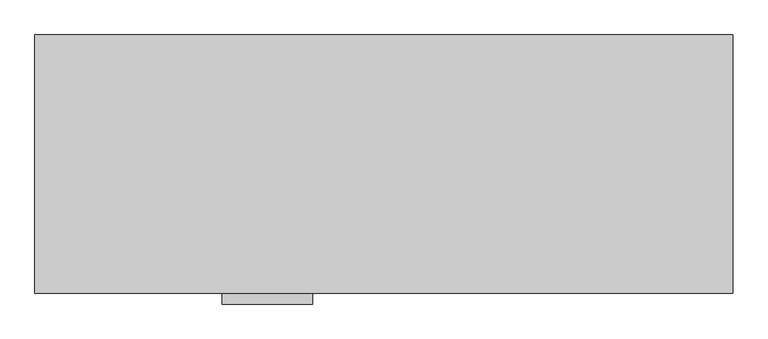
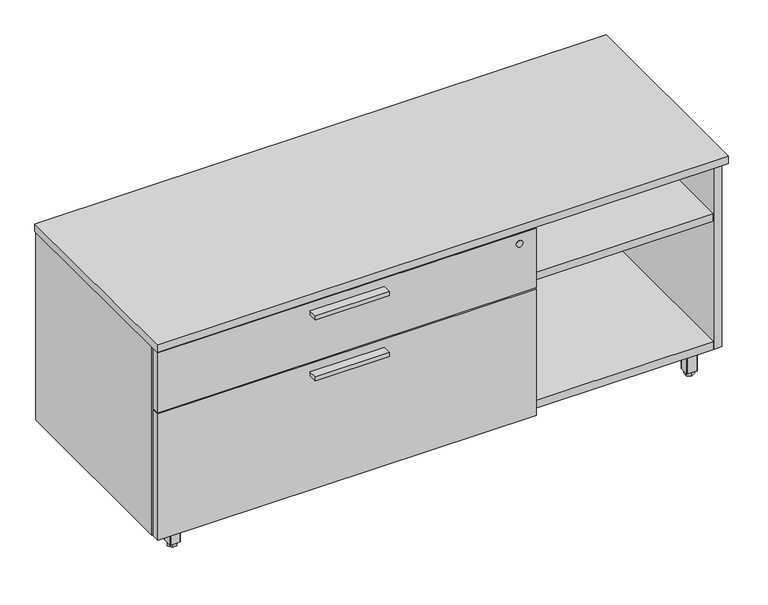
"""IFC4 building model written with IfcOpenShell, lengths in millimetres: furniture geometry."""

from ifc_helpers import new_model, si_unit, point, frame, frame_2d, origin, origin_with_axes, place, context, project, spatial, polyline, circle_curve, trimmed, segment, composite_curve, outline, extrude, source, transform, mapped, element, save


def furniture_a101fd6d(model_context):
    return source(origin(), model_context, "Body", "SweptSolid", [
        extrude(outline(polyline([(546.0365, -536.7158592), (368.2365, -536.7158592), (368.2365, -514.4908592), (546.0365, -514.4908592), (546.0365, -536.7158592)])), frame((0.0, 0.0, 351.0330729), z_axis=(0.0, 0.0, 1.0), x_axis=(1.0, 0.0, 0.0)), (0.0, 0.0, 1.0), 9.525),
        extrude(outline(polyline([(546.0365, -536.7158592), (368.2365, -536.7158592), (368.2365, -514.4908592), (546.0365, -514.4908592), (546.0365, -536.7158592)])), frame((0.0, 0.0, 506.1508939), z_axis=(0.0, 0.0, 1.0), x_axis=(1.0, 0.0, 0.0)), (0.0, 0.0, 1.0), 9.525),
        extrude(outline(polyline([(70.8025, -456.713183), (76.5175, -466.6118534), (70.8025, -476.5105237), (59.3725, -476.5105237), (53.6575, -466.6118534), (59.3725, -456.713183), (70.8025, -456.713183)])), origin_with_axes(), (0.0, 0.0, 1.0), 9.144),
        extrude(outline(composite_curve([segment(trimmed(circle_curve(frame_2d((65.0875, -466.6118534)), 4.445), [point((69.5325, -466.6118534))], [point((60.6425, -466.6118534))], False, "CARTESIAN"), True, "CONTINUOUS"), segment(trimmed(circle_curve(frame_2d((65.0875, -466.6118534)), 4.445), [point((60.6425, -466.6118534))], [point((69.5325, -466.6118534))], False, "CARTESIAN"), True, "CONTINUOUS")], self_intersect=False)), frame((0.0, 0.0, 7.112), z_axis=(0.0, 0.0, 1.0), x_axis=(1.0, 0.0, 0.0)), (0.0, 0.0, 1.0), 2.032),
        extrude(outline(composite_curve([segment(trimmed(circle_curve(frame_2d((11.1125, -482.4868534)), 3.175), [point((11.1125, -485.6618534))], [point((7.9375, -482.4868534))], False, "CARTESIAN"), True, "CONTINUOUS"), segment(polyline([(7.9375, -482.4868534), (7.9375, -412.6368534)]), True, "CONTINUOUS"), segment(trimmed(circle_curve(frame_2d((11.1125, -412.6368534)), 3.175), [point((7.9375, -412.6368534))], [point((11.1125, -409.4618534))], False, "CARTESIAN"), True, "CONTINUOUS"), segment(polyline([(11.1125, -409.4618534), (80.9625, -409.4618534)]), True, "CONTINUOUS"), segment(trimmed(circle_curve(frame_2d((80.9625, -412.6368534)), 3.175), [point((80.9625, -409.4618534))], [point((84.1375, -412.6368534))], False, "CARTESIAN"), True, "CONTINUOUS"), segment(polyline([(84.1375, -412.6368534), (84.1375, -482.4868534)]), True, "CONTINUOUS"), segment(trimmed(circle_curve(frame_2d((80.9625, -482.4868534)), 3.175), [point((84.1375, -482.4868534))], [point((80.9625, -485.6618534))], False, "CARTESIAN"), True, "CONTINUOUS"), segment(polyline([(80.9625, -485.6618534), (11.1125, -485.6618534)]), True, "CONTINUOUS")], self_intersect=False)), frame((0.0, 0.0, 58.3692), z_axis=(0.0, 0.0, 1.0), x_axis=(1.0, 0.0, 0.0)), (0.0, 0.0, 1.0), 1.89738),
        extrude(outline(composite_curve([segment(polyline([(76.5175, -479.3118534), (53.6575, -479.3118534)]), True, "CONTINUOUS"), segment(trimmed(circle_curve(frame_2d((53.6575, -478.0418534)), 1.27), [point((53.6575, -479.3118534))], [point((52.3875, -478.0418534))], False, "CARTESIAN"), True, "CONTINUOUS"), segment(polyline([(52.3875, -478.0418534), (52.3875, -455.1818534)]), True, "CONTINUOUS"), segment(trimmed(circle_curve(frame_2d((53.6575, -455.1818534)), 1.27), [point((52.3875, -455.1818534))], [point((53.6575, -453.9118534))], False, "CARTESIAN"), True, "CONTINUOUS"), segment(polyline([(53.6575, -453.9118534), (76.5175, -453.9118534)]), True, "CONTINUOUS"), segment(trimmed(circle_curve(frame_2d((76.5175, -455.1818534)), 1.27), [point((76.5175, -453.9118534))], [point((77.7875, -455.1818534))], False, "CARTESIAN"), True, "CONTINUOUS"), segment(polyline([(77.7875, -455.1818534), (77.7875, -478.0418534)]), True, "CONTINUOUS"), segment(trimmed(circle_curve(frame_2d((76.5175, -478.0418534)), 1.27), [point((77.7875, -478.0418534))], [point((76.5175, -479.3118534))], False, "CARTESIAN"), True, "CONTINUOUS")], self_intersect=False)), frame((0.0, 0.0, 9.144), z_axis=(0.0, 0.0, 1.0), x_axis=(1.0, 0.0, 0.0)), (0.0, 0.0, 1.0), 49.2252),
        extrude(outline(polyline([(55.1888296, -42.0508713), (65.0875, -36.3358713), (74.9861704, -42.0508713), (74.9861704, -53.4808713), (65.0875, -59.1958713), (55.1888296, -53.4808713), (55.1888296, -42.0508713)])), origin_with_axes(), (0.0, 0.0, 1.0), 9.144),
        extrude(outline(composite_curve([segment(trimmed(circle_curve(frame_2d((65.0875, -47.7658713)), 4.445), [point((65.0875, -43.3208713))], [point((65.0875, -52.2108713))], False, "CARTESIAN"), True, "CONTINUOUS"), segment(trimmed(circle_curve(frame_2d((65.0875, -47.7658713)), 4.445), [point((65.0875, -52.2108713))], [point((65.0875, -43.3208713))], False, "CARTESIAN"), True, "CONTINUOUS")], self_intersect=False)), frame((0.0, 0.0, 7.112), z_axis=(0.0, 0.0, 1.0), x_axis=(1.0, 0.0, 0.0)), (0.0, 0.0, 1.0), 2.032),
        extrude(outline(composite_curve([segment(trimmed(circle_curve(frame_2d((80.9625, -101.7408713)), 3.175), [point((84.1375, -101.7408713))], [point((80.9625, -104.9158713))], False, "CARTESIAN"), True, "CONTINUOUS"), segment(polyline([(80.9625, -104.9158713), (11.1125, -104.9158713)]), True, "CONTINUOUS"), segment(trimmed(circle_curve(frame_2d((11.1125, -101.7408713)), 3.175), [point((11.1125, -104.9158713))], [point((7.9375, -101.7408713))], False, "CARTESIAN"), True, "CONTINUOUS"), segment(polyline([(7.9375, -101.7408713), (7.9375, -31.8908713)]), True, "CONTINUOUS"), segment(trimmed(circle_curve(frame_2d((11.1125, -31.8908713)), 3.175), [point((7.9375, -31.8908713))], [point((11.1125, -28.7158713))], False, "CARTESIAN"), True, "CONTINUOUS"), segment(polyline([(11.1125, -28.7158713), (80.9625, -28.7158713)]), True, "CONTINUOUS"), segment(trimmed(circle_curve(frame_2d((80.9625, -31.8908713)), 3.175), [point((80.9625, -28.7158713))], [point((84.1375, -31.8908713))], False, "CARTESIAN"), True, "CONTINUOUS"), segment(polyline([(84.1375, -31.8908713), (84.1375, -101.7408713)]), True, "CONTINUOUS")], self_intersect=False)), frame((0.0, 0.0, 58.3692), z_axis=(0.0, 0.0, 1.0), x_axis=(1.0, 0.0, 0.0)), (0.0, 0.0, 1.0), 1.89738),
        extrude(outline(composite_curve([segment(polyline([(77.7875, -36.3358713), (77.7875, -59.1958713)]), True, "CONTINUOUS"), segment(trimmed(circle_curve(frame_2d((76.5175, -59.1958713)), 1.27), [point((77.7875, -59.1958713))], [point((76.5175, -60.4658713))], False, "CARTESIAN"), True, "CONTINUOUS"), segment(polyline([(76.5175, -60.4658713), (53.6575, -60.4658713)]), True, "CONTINUOUS"), segment(trimmed(circle_curve(frame_2d((53.6575, -59.1958713)), 1.27), [point((53.6575, -60.4658713))], [point((52.3875, -59.1958713))], False, "CARTESIAN"), True, "CONTINUOUS"), segment(polyline([(52.3875, -59.1958713), (52.3875, -36.3358713)]), True, "CONTINUOUS"), segment(trimmed(circle_curve(frame_2d((53.6575, -36.3358713)), 1.27), [point((52.3875, -36.3358713))], [point((53.6575, -35.0658713))], False, "CARTESIAN"), True, "CONTINUOUS"), segment(polyline([(53.6575, -35.0658713), (76.5175, -35.0658713)]), True, "CONTINUOUS"), segment(trimmed(circle_curve(frame_2d((76.5175, -36.3358713)), 1.27), [point((76.5175, -35.0658713))], [point((77.7875, -36.3358713))], False, "CARTESIAN"), True, "CONTINUOUS")], self_intersect=False)), frame((0.0, 0.0, 9.144), z_axis=(0.0, 0.0, 1.0), x_axis=(1.0, 0.0, 0.0)), (0.0, 0.0, 1.0), 49.2252),
        extrude(outline(polyline([(1300.7975, -57.6645417), (1295.0825, -47.7658713), (1300.7975, -37.8672009), (1312.2275, -37.8672009), (1317.9425, -47.7658713), (1312.2275, -57.6645417), (1300.7975, -57.6645417)])), origin_with_axes(), (0.0, 0.0, 1.0), 9.144),
        extrude(outline(composite_curve([segment(trimmed(circle_curve(frame_2d((1306.5125, -47.7658713)), 4.445), [point((1302.0675, -47.7658713))], [point((1310.9575, -47.7658713))], False, "CARTESIAN"), True, "CONTINUOUS"), segment(trimmed(circle_curve(frame_2d((1306.5125, -47.7658713)), 4.445), [point((1310.9575, -47.7658713))], [point((1302.0675, -47.7658713))], False, "CARTESIAN"), True, "CONTINUOUS")], self_intersect=False)), frame((0.0, 0.0, 7.112), z_axis=(0.0, 0.0, 1.0), x_axis=(1.0, 0.0, 0.0)), (0.0, 0.0, 1.0), 2.032),
        extrude(outline(composite_curve([segment(trimmed(circle_curve(frame_2d((1360.4875, -31.8908713)), 3.175), [point((1360.4875, -28.7158713))], [point((1363.6625, -31.8908713))], False, "CARTESIAN"), True, "CONTINUOUS"), segment(polyline([(1363.6625, -31.8908713), (1363.6625, -101.7408713)]), True, "CONTINUOUS"), segment(trimmed(circle_curve(frame_2d((1360.4875, -101.7408713)), 3.175), [point((1363.6625, -101.7408713))], [point((1360.4875, -104.9158713))], False, "CARTESIAN"), True, "CONTINUOUS"), segment(polyline([(1360.4875, -104.9158713), (1290.6375, -104.9158713)]), True, "CONTINUOUS"), segment(trimmed(circle_curve(frame_2d((1290.6375, -101.7408713)), 3.175), [point((1290.6375, -104.9158713))], [point((1287.4625, -101.7408713))], False, "CARTESIAN"), True, "CONTINUOUS"), segment(polyline([(1287.4625, -101.7408713), (1287.4625, -31.8908713)]), True, "CONTINUOUS"), segment(trimmed(circle_curve(frame_2d((1290.6375, -31.8908713)), 3.175), [point((1287.4625, -31.8908713))], [point((1290.6375, -28.7158713))], False, "CARTESIAN"), True, "CONTINUOUS"), segment(polyline([(1290.6375, -28.7158713), (1360.4875, -28.7158713)]), True, "CONTINUOUS")], self_intersect=False)), frame((0.0, 0.0, 58.3692), z_axis=(0.0, 0.0, 1.0), x_axis=(1.0, 0.0, 0.0)), (0.0, 0.0, 1.0), 1.89738),
        extrude(outline(composite_curve([segment(polyline([(1295.0825, -35.0658713), (1317.9425, -35.0658713)]), True, "CONTINUOUS"), segment(trimmed(circle_curve(frame_2d((1317.9425, -36.3358713)), 1.27), [point((1317.9425, -35.0658713))], [point((1319.2125, -36.3358713))], False, "CARTESIAN"), True, "CONTINUOUS"), segment(polyline([(1319.2125, -36.3358713), (1319.2125, -59.1958713)]), True, "CONTINUOUS"), segment(trimmed(circle_curve(frame_2d((1317.9425, -59.1958713)), 1.27), [point((1319.2125, -59.1958713))], [point((1317.9425, -60.4658713))], False, "CARTESIAN"), True, "CONTINUOUS"), segment(polyline([(1317.9425, -60.4658713), (1295.0825, -60.4658713)]), True, "CONTINUOUS"), segment(trimmed(circle_curve(frame_2d((1295.0825, -59.1958713)), 1.27), [point((1295.0825, -60.4658713))], [point((1293.8125, -59.1958713))], False, "CARTESIAN"), True, "CONTINUOUS"), segment(polyline([(1293.8125, -59.1958713), (1293.8125, -36.3358713)]), True, "CONTINUOUS"), segment(trimmed(circle_curve(frame_2d((1295.0825, -36.3358713)), 1.27), [point((1293.8125, -36.3358713))], [point((1295.0825, -35.0658713))], False, "CARTESIAN"), True, "CONTINUOUS")], self_intersect=False)), frame((0.0, 0.0, 9.144), z_axis=(0.0, 0.0, 1.0), x_axis=(1.0, 0.0, 0.0)), (0.0, 0.0, 1.0), 49.2252),
        extrude(outline(polyline([(1316.4111704, -472.3268534), (1306.5125, -478.0418534), (1296.6138296, -472.3268534), (1296.6138296, -460.8968534), (1306.5125, -455.1818534), (1316.4111704, -460.8968534), (1316.4111704, -472.3268534)])), origin_with_axes(), (0.0, 0.0, 1.0), 9.144),
        extrude(outline(composite_curve([segment(trimmed(circle_curve(frame_2d((1306.5125, -466.6118534)), 4.445), [point((1306.5125, -471.0568534))], [point((1306.5125, -462.1668534))], False, "CARTESIAN"), True, "CONTINUOUS"), segment(trimmed(circle_curve(frame_2d((1306.5125, -466.6118534)), 4.445), [point((1306.5125, -462.1668534))], [point((1306.5125, -471.0568534))], False, "CARTESIAN"), True, "CONTINUOUS")], self_intersect=False)), frame((0.0, 0.0, 7.112), z_axis=(0.0, 0.0, 1.0), x_axis=(1.0, 0.0, 0.0)), (0.0, 0.0, 1.0), 2.032),
        extrude(outline(composite_curve([segment(trimmed(circle_curve(frame_2d((1290.6375, -412.6368534)), 3.175), [point((1287.4625, -412.6368534))], [point((1290.6375, -409.4618534))], False, "CARTESIAN"), True, "CONTINUOUS"), segment(polyline([(1290.6375, -409.4618534), (1360.4875, -409.4618534)]), True, "CONTINUOUS"), segment(trimmed(circle_curve(frame_2d((1360.4875, -412.6368534)), 3.175), [point((1360.4875, -409.4618534))], [point((1363.6625, -412.6368534))], False, "CARTESIAN"), True, "CONTINUOUS"), segment(polyline([(1363.6625, -412.6368534), (1363.6625, -482.4868534)]), True, "CONTINUOUS"), segment(trimmed(circle_curve(frame_2d((1360.4875, -482.4868534)), 3.175), [point((1363.6625, -482.4868534))], [point((1360.4875, -485.6618534))], False, "CARTESIAN"), True, "CONTINUOUS"), segment(polyline([(1360.4875, -485.6618534), (1290.6375, -485.6618534)]), True, "CONTINUOUS"), segment(trimmed(circle_curve(frame_2d((1290.6375, -482.4868534)), 3.175), [point((1290.6375, -485.6618534))], [point((1287.4625, -482.4868534))], False, "CARTESIAN"), True, "CONTINUOUS"), segment(polyline([(1287.4625, -482.4868534), (1287.4625, -412.6368534)]), True, "CONTINUOUS")], self_intersect=False)), frame((0.0, 0.0, 58.3692), z_axis=(0.0, 0.0, 1.0), x_axis=(1.0, 0.0, 0.0)), (0.0, 0.0, 1.0), 1.89738),
        extrude(outline(composite_curve([segment(polyline([(1293.8125, -478.0418534), (1293.8125, -455.1818534)]), True, "CONTINUOUS"), segment(trimmed(circle_curve(frame_2d((1295.0825, -455.1818534)), 1.27), [point((1293.8125, -455.1818534))], [point((1295.0825, -453.9118534))], False, "CARTESIAN"), True, "CONTINUOUS"), segment(polyline([(1295.0825, -453.9118534), (1317.9425, -453.9118534)]), True, "CONTINUOUS"), segment(trimmed(circle_curve(frame_2d((1317.9425, -455.1818534)), 1.27), [point((1317.9425, -453.9118534))], [point((1319.2125, -455.1818534))], False, "CARTESIAN"), True, "CONTINUOUS"), segment(polyline([(1319.2125, -455.1818534), (1319.2125, -478.0418534)]), True, "CONTINUOUS"), segment(trimmed(circle_curve(frame_2d((1317.9425, -478.0418534)), 1.27), [point((1319.2125, -478.0418534))], [point((1317.9425, -479.3118534))], False, "CARTESIAN"), True, "CONTINUOUS"), segment(polyline([(1317.9425, -479.3118534), (1295.0825, -479.3118534)]), True, "CONTINUOUS"), segment(trimmed(circle_curve(frame_2d((1295.0825, -478.0418534)), 1.27), [point((1295.0825, -479.3118534))], [point((1293.8125, -478.0418534))], False, "CARTESIAN"), True, "CONTINUOUS")], self_intersect=False)), frame((0.0, 0.0, 9.144), z_axis=(0.0, 0.0, 1.0), x_axis=(1.0, 0.0, 0.0)), (0.0, 0.0, 1.0), 49.2252),
        extrude(outline(polyline([(1350.7085154, -30.4938704), (1350.7085154, -491.6308447), (20.8915005, -491.6308447), (20.8915005, -30.4938704), (1350.7085154, -30.4938704)])), frame((0.0, 0.0, 520.1843787), z_axis=(0.0, 0.0, 1.0), x_axis=(1.0, 0.0, 0.0)), (0.0, 0.0, 1.0), 19.304),
        extrude(outline(polyline([(912.6855, -30.4938704), (912.6855, -490.4878548), (893.3815, -490.4878548), (893.3815, -30.4938704), (912.6855, -30.4938704)])), frame((0.0, 0.0, 79.57058), z_axis=(0.0, 0.0, 1.0), x_axis=(1.0, 0.0, 0.0)), (0.0, 0.0, 1.0), 440.6137987),
        extrude(outline(polyline([(3.175, -495.1868776), (911.098, -495.1868776), (911.098, -514.4908592), (3.175, -514.4908592), (3.175, -495.1868776)])), frame((0.0, 0.0, 384.3705787), z_axis=(0.0, 0.0, 1.0), x_axis=(1.0, 0.0, 0.0)), (0.0, 0.0, 1.0), 151.9428152),
        extrude(outline(polyline([(3.175, -495.1868776), (911.098, -495.1868776), (911.098, -514.4908592), (3.175, -514.4908592), (3.175, -495.1868776)])), frame((0.0, 0.0, 60.26658), z_axis=(0.0, 0.0, 1.0), x_axis=(1.0, 0.0, 0.0)), (0.0, 0.0, 1.0), 320.9289929),
        extrude(outline(polyline([(1350.7085, -30.4938704), (1350.7085, -489.7258374), (912.6855, -489.7258374), (912.6855, -30.4938704), (1350.7085, -30.4938704)])), frame((0.0, 0.0, 384.3705787), z_axis=(0.0, 0.0, 1.0), x_axis=(1.0, 0.0, 0.0)), (0.0, 0.0, 1.0), 19.304),
        extrude(outline(polyline([(1371.6, -8.0783713), (1371.6, -516.0783713), (0.0, -516.0783713), (0.0, -8.0783713), (1371.6, -8.0783713)])), frame((0.0, 0.0, 539.4883818), z_axis=(0.0, 0.0, 1.0), x_axis=(1.0, 0.0, 0.0)), (0.0, 0.0, 1.0), 19.0499969),
        extrude(outline(polyline([(1350.7085154, -30.4938704), (1350.7085154, -491.6308447), (20.8915005, -491.6308447), (20.8915005, -30.4938704), (1350.7085154, -30.4938704)])), frame((0.0, 0.0, 60.26658), z_axis=(0.0, 0.0, 1.0), x_axis=(1.0, 0.0, 0.0)), (0.0, 0.0, 1.0), 19.304),
        extrude(outline(polyline([(1350.7085154, -11.1898712), (1350.7085154, -30.4938704), (20.8915005, -30.4938704), (20.8915005, -11.1898712), (1350.7085154, -11.1898712)])), frame((0.0, 0.0, 60.26658), z_axis=(0.0, 0.0, 1.0), x_axis=(1.0, 0.0, 0.0)), (0.0, 0.0, 1.0), 479.2217987),
        extrude(outline(polyline([(20.8915005, -9.6658713), (20.8915005, -492.0118534), (1.5875, -492.0118534), (1.5875, -9.6658713), (20.8915005, -9.6658713)])), frame((0.0, 0.0, 60.26658), z_axis=(0.0, 0.0, 1.0), x_axis=(1.0, 0.0, 0.0)), (0.0, 0.0, 1.0), 479.2217987),
        extrude(outline(polyline([(1350.7085154, -9.6658713), (1370.0125158, -9.6658713), (1370.0125158, -492.0118534), (1350.7085154, -492.0118534), (1350.7085154, -9.6658713)])), frame((0.0, 0.0, 60.26658), z_axis=(0.0, 0.0, 1.0), x_axis=(1.0, 0.0, 0.0)), (0.0, 0.0, 1.0), 479.2217987),
        extrude(outline(composite_curve([segment(trimmed(circle_curve(frame_2d((510.9133939, 871.093)), 8.001), [point((510.9133939, 879.094))], [point((510.9133939, 863.092))], False, "CARTESIAN"), True, "CONTINUOUS"), segment(trimmed(circle_curve(frame_2d((510.9133939, 871.093)), 8.001), [point((510.9133939, 863.092))], [point((510.9133939, 879.094))], False, "CARTESIAN"), True, "CONTINUOUS")], self_intersect=False)), frame((0.0, -516.0783713, 0.0), z_axis=(0.0, 1.0, 0.0), x_axis=(0.0, 0.0, 1.0)), (0.0, 0.0, 1.0), 1.5875121),
    ])


if __name__ == "__main__":
    model = new_model("IFC4")
    model_context = context("Model", 3, world=origin())
    ifc_project = project(units=[si_unit("LENGTHUNIT", "METRE", prefix="MILLI")], contexts=[model_context])
    site = spatial("IfcSite", under=ifc_project)
    building = spatial("IfcBuilding", under=site)
    placement = place(None, origin())
    furniture_shape = furniture_a101fd6d(model_context)
    element("IfcFurniture", 1, at=placement, inside=building, context=model_context, shape_type="MappedRepresentation", body=[
        mapped(furniture_shape, transform((0.0, 0.0, 0.0), x_axis=(1.0, 0.0, 0.0), y_axis=(0.0, 1.0, 0.0), z_axis=(0.0, 0.0, 1.0))),
    ])
    save(model, "model.ifc")
